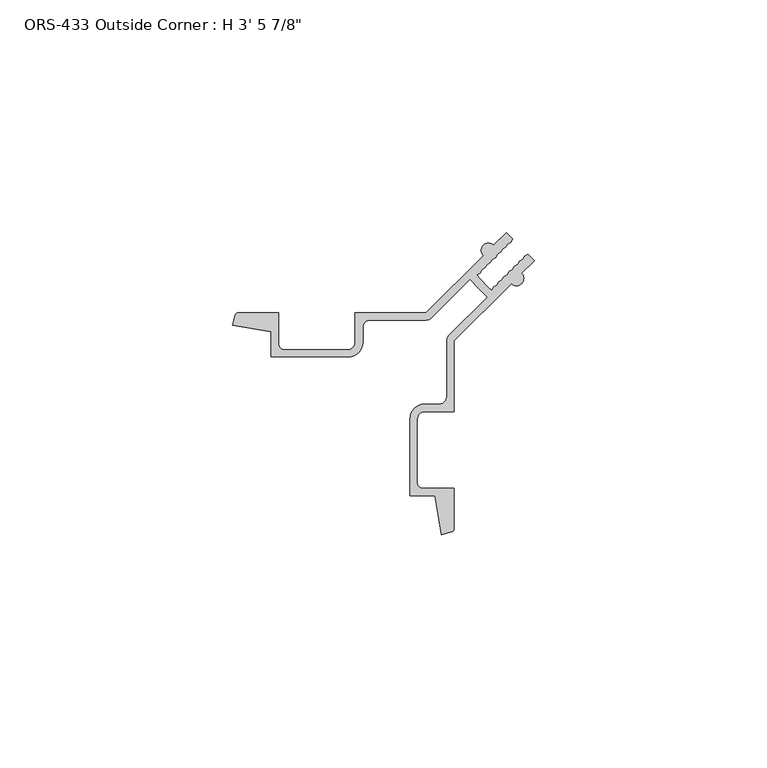
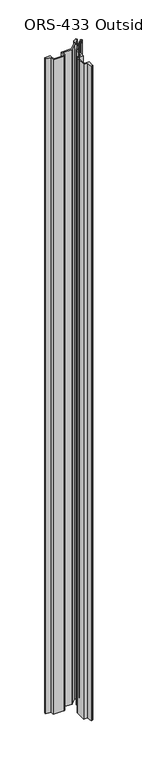
"""IFC4 building model written with IfcOpenShell, lengths in millimetres: proxy geometry."""

from ifc_helpers import new_model, si_unit, point, frame_2d, origin, origin_with_axes, place, context, project, spatial, polyline, circle_curve, trimmed, segment, composite_curve, outline, extrude, source, transform, mapped, element, save


def proxy_78e38b8b(model_context):
    return source(origin(), model_context, "Body", "SweptSolid", [
        extrude(outline(composite_curve([segment(trimmed(circle_curve(frame_2d((31.435154, 37.4547553)), 1.5748), [point((30.3216023, 36.3412035))], [point((32.5487058, 38.5683071))], False, "CARTESIAN"), True, "CONTINUOUS"), segment(polyline([(32.5487058, 38.5683071), (35.2517629, 41.2713642), (36.6194832, 39.9036438), (36.2239169, 39.2091421), (35.5166283, 38.8007889), (35.121062, 38.1062872), (34.4399047, 37.7240653), (34.0476129, 37.0445958), (33.3281209, 36.6122814), (32.9325545, 35.9177798), (32.1836048, 35.4677654), (31.7880385, 34.7732637), (31.0836065, 34.3677671), (30.6880402, 33.6732654), (29.9836082, 33.2677688), (29.5880419, 32.5732671), (28.9053422, 32.1895028), (29.3381883, 31.5233721), (31.5195919, 29.3419685), (32.1857226, 28.9091224), (32.5694869, 29.5918221), (33.2639886, 29.9873884), (33.6694852, 30.6918204), (34.3639869, 31.0873867), (34.7694835, 31.7918187), (35.4639852, 32.187385), (35.9139996, 32.9363347), (36.6085012, 33.3319011), (37.0257937, 34.0263924), (37.7202851, 34.4436849), (38.102507, 35.1248422), (38.7970087, 35.5204085), (39.2053619, 36.2276971), (39.8998636, 36.6232635), (41.267584, 35.2555431), (38.5645269, 32.552486)]), True, "CONTINUOUS"), segment(trimmed(circle_curve(frame_2d((37.4509751, 31.4389342)), 1.5748), [point((38.5645269, 32.552486))], [point((36.3374233, 30.3253825))], False, "CARTESIAN"), True, "CONTINUOUS"), segment(polyline([(36.3374233, 30.3253825), (24.0572913, 18.0452505), (24.0572913, 2.7798505), (17.6945913, 2.7798505)]), True, "CONTINUOUS"), segment(trimmed(circle_curve(frame_2d((17.6945913, 1.1923505)), 1.5875), [point((17.6945913, 2.7798505))], [point((16.1070913, 1.1923505))], True, "CARTESIAN"), True, "CONTINUOUS"), segment(polyline([(16.1070913, 1.1923505), (16.1070913, -12.4601495)]), True, "CONTINUOUS"), segment(trimmed(circle_curve(frame_2d((17.3770913, -12.4601495)), 1.27), [point((16.1070913, -12.4601495))], [point((17.3770913, -13.7301495))], True, "CARTESIAN"), True, "CONTINUOUS"), segment(polyline([(17.3770913, -13.7301495), (24.0572913, -13.7301495), (24.0572913, -22.2905014)]), True, "CONTINUOUS"), segment(trimmed(circle_curve(frame_2d((23.2622713, -22.2905014)), 0.79502), [point((24.0572913, -22.2905014))], [point((23.4936921, -23.0510941))], False, "CARTESIAN"), True, "CONTINUOUS"), segment(trimmed(circle_curve(frame_2d((12.6346619, 12.6384421)), 37.30498), [point((23.4936921, -23.0510941))], [point((21.3511424, -23.6339234))], False, "CARTESIAN"), True, "CONTINUOUS"), segment(polyline([(21.3511424, -23.6339234), (19.9249483, -15.3049495), (14.5572749, -15.3049495), (14.5572749, 1.2882181)]), True, "CONTINUOUS"), segment(trimmed(circle_curve(frame_2d((17.6820995, 1.2882181)), 3.1248246), [point((14.5572749, 1.2882181))], [point((17.6820995, 4.4130427))], False, "CARTESIAN"), True, "CONTINUOUS"), segment(polyline([(17.6820995, 4.4130427), (20.8941469, 4.4130427)]), True, "CONTINUOUS"), segment(trimmed(circle_curve(frame_2d((20.8941469, 5.9779849)), 1.5649422), [point((20.8941469, 4.4130427))], [point((22.4590891, 5.9779849))], True, "CARTESIAN"), True, "CONTINUOUS"), segment(polyline([(22.4590891, 5.9779849), (22.4590891, 18.0254304)]), True, "CONTINUOUS"), segment(trimmed(circle_curve(frame_2d((24.0517137, 18.0254304)), 1.5926245), [point((22.4590891, 18.0254304))], [point((22.927422, 19.1534469))], False, "CARTESIAN"), True, "CONTINUOUS"), segment(polyline([(22.927422, 19.1534469), (31.209192, 27.4244429), (29.3161603, 29.3199405), (27.4206627, 31.2129722), (19.1496667, 22.9312022)]), True, "CONTINUOUS"), segment(trimmed(circle_curve(frame_2d((18.0216502, 24.0554939)), 1.5926245), [point((19.1496667, 22.9312022))], [point((18.0216502, 22.4628693))], False, "CARTESIAN"), True, "CONTINUOUS"), segment(polyline([(18.0216502, 22.4628693), (5.9742047, 22.4628693)]), True, "CONTINUOUS"), segment(trimmed(circle_curve(frame_2d((5.9742047, 20.8979271)), 1.5649422), [point((5.9742047, 22.4628693))], [point((4.4092625, 20.8979271))], True, "CARTESIAN"), True, "CONTINUOUS"), segment(polyline([(4.4092625, 20.8979271), (4.4092625, 17.6858797)]), True, "CONTINUOUS"), segment(trimmed(circle_curve(frame_2d((1.2844379, 17.6858797)), 3.1248246), [point((4.4092625, 17.6858797))], [point((1.2844379, 14.5610551))], False, "CARTESIAN"), True, "CONTINUOUS"), segment(polyline([(1.2844379, 14.5610551), (-15.3087297, 14.5610551), (-15.3087297, 19.9287285), (-23.6377036, 21.3549227)]), True, "CONTINUOUS"), segment(trimmed(circle_curve(frame_2d((12.6346619, 12.6384421)), 37.30498), [point((-23.6377036, 21.3549227))], [point((-23.0548743, 23.4974723))], False, "CARTESIAN"), True, "CONTINUOUS"), segment(trimmed(circle_curve(frame_2d((-22.2942816, 23.2660515)), 0.79502), [point((-23.0548743, 23.4974723))], [point((-22.2942816, 24.0610715))], False, "CARTESIAN"), True, "CONTINUOUS"), segment(polyline([(-22.2942816, 24.0610715), (-13.7339297, 24.0610715), (-13.7339297, 17.3808715)]), True, "CONTINUOUS"), segment(trimmed(circle_curve(frame_2d((-12.4639297, 17.3808715)), 1.27), [point((-13.7339297, 17.3808715))], [point((-12.4639297, 16.1108715))], True, "CARTESIAN"), True, "CONTINUOUS"), segment(polyline([(-12.4639297, 16.1108715), (1.1885703, 16.1108715)]), True, "CONTINUOUS"), segment(trimmed(circle_curve(frame_2d((1.1885703, 17.6983715)), 1.5875), [point((1.1885703, 16.1108715))], [point((2.7760703, 17.6983715))], True, "CARTESIAN"), True, "CONTINUOUS"), segment(polyline([(2.7760703, 17.6983715), (2.7760703, 24.0610715), (18.0414703, 24.0610715), (30.3216023, 36.3412035)]), True, "CONTINUOUS")], self_intersect=False)), origin_with_axes(), (0.0, 0.0, 1.0), 1063.625),
    ])


if __name__ == "__main__":
    model = new_model("IFC4")
    model_context = context("Model", 3, world=origin())
    ifc_project = project(units=[si_unit("LENGTHUNIT", "METRE", prefix="MILLI")], contexts=[model_context])
    site = spatial("IfcSite", under=ifc_project)
    building = spatial("IfcBuilding", under=site)
    placement = place(None, origin())
    proxy_shape = proxy_78e38b8b(model_context)
    element("IfcBuildingElementProxy", 1, Name="ORS-433 Outside Corner : H 3' 5 7/8\"", ObjectType="ORS-433 Outside Corner : H 3' 5 7/8\"", at=placement, inside=building, context=model_context, shape_type="MappedRepresentation", body=[
        mapped(proxy_shape, transform((0.0, 0.0, 0.0), x_axis=(1.0, 0.0, 0.0), y_axis=(0.0, 1.0, 0.0), z_axis=(0.0, 0.0, 1.0))),
    ])
    save(model, "model.ifc")
